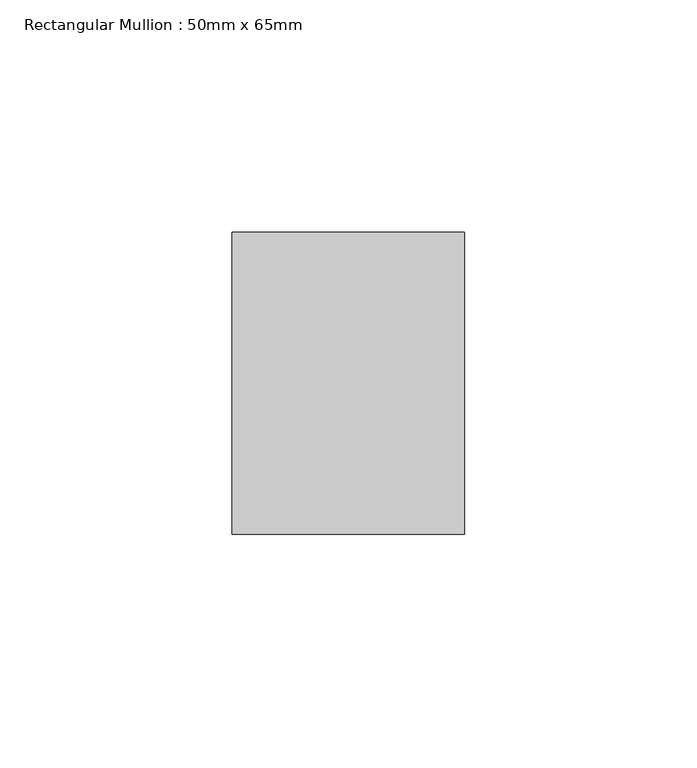
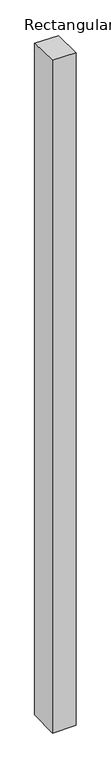
"""IFC4 building model written with IfcOpenShell, lengths in millimetres: member geometry, Rectangular Mullion : 50mm x 65mm."""

from ifc_helpers import new_model, si_unit, origin, place, context, project, spatial, faceted_brep, source, transform, mapped, element, save


def rectangular_mullion_50mm_x_65mm_ae07f625(model_context):
    return source(origin(), model_context, "Body", "Brep", [
        faceted_brep([(-25.0, 32.5, -0.712712), (25.0, 32.5, -0.7127036), (25.0, 32.5, -1499.1021153), (-25.0, 32.5, -1499.1021047), (-25.0, -32.5, 0.7127036), (-25.0, -32.5, -1500.8980316), (25.0, -32.5, 0.712712), (25.0, -32.5, -1500.8980422)], [[[0, 1, 2, 3]], [[4, 0, 3, 5]], [[6, 4, 5, 7]], [[1, 6, 7, 2]], [[1, 0, 4, 6]], [[2, 7, 5, 3]]]),
    ])


if __name__ == "__main__":
    model = new_model("IFC4")
    model_context = context("Model", 3, world=origin())
    ifc_project = project(units=[si_unit("LENGTHUNIT", "METRE", prefix="MILLI")], contexts=[model_context])
    site = spatial("IfcSite", under=ifc_project)
    building = spatial("IfcBuilding", under=site)
    placement = place(None, origin())
    rectangular_mullion_50mm_x_65mm_shape = rectangular_mullion_50mm_x_65mm_ae07f625(model_context)
    element("IfcMember", 1, ObjectType="Rectangular Mullion : 50mm x 65mm", at=placement, inside=building, context=model_context, shape_type="MappedRepresentation", body=[
        mapped(rectangular_mullion_50mm_x_65mm_shape, transform((0.0, 0.0, 0.0), x_axis=(1.0, 0.0, 0.0), y_axis=(0.0, 1.0, 0.0), z_axis=(0.0, 0.0, 1.0))),
    ])
    save(model, "model.ifc")
